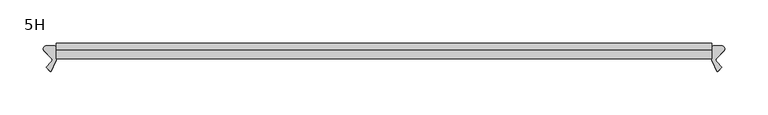
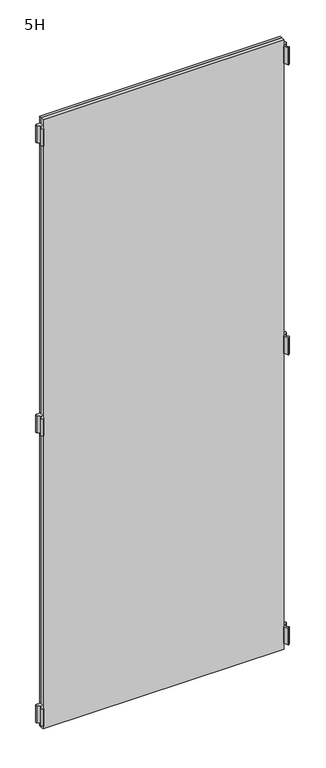
"""IFC4 building model written with IfcOpenShell, lengths in millimetres: furniture geometry, 5H."""

from ifc_helpers import new_model, si_unit, point, frame, frame_2d, origin, place, context, project, spatial, polyline, circle_curve, trimmed, segment, composite_curve, outline, extrude, source, transform, mapped, element, save


def furniture_5h_a6dc753b(model_context):
    return source(origin(), model_context, "Body", "SweptSolid", [
        extrude(outline(composite_curve([segment(polyline([(-383.736544, 2.1213203), (-391.9772844, 10.3620607)]), True, "CONTINUOUS"), segment(trimmed(circle_curve(frame_2d((-389.5024107, 12.8369345)), 3.5), [point((-391.9772844, 10.3620607))], [point((-389.5024107, 16.3369345))], False, "CARTESIAN"), True, "CONTINUOUS"), segment(polyline([(-389.5024107, 16.3369345), (-381.0, 16.3369345)]), True, "CONTINUOUS"), segment(trimmed(circle_curve(frame_2d((-381.0, 13.3369345)), 3.0), [point((-381.0, 16.3369345))], [point((-378.0, 13.3369345))], False, "CARTESIAN"), True, "CONTINUOUS"), segment(polyline([(-378.0, 13.3369345), (-378.0, 1.1084733)]), True, "CONTINUOUS"), segment(trimmed(circle_curve(frame_2d((-383.0, 1.1084733)), 5.0), [point((-378.0, 1.1084733))], [point((-378.4684611, -1.004618))], False, "CARTESIAN"), True, "CONTINUOUS"), segment(polyline([(-378.4684611, -1.004618), (-383.79287, -12.4228499)]), True, "CONTINUOUS"), segment(trimmed(circle_curve(frame_2d((-384.6991778, -12.0002316)), 1.0), [point((-383.79287, -12.4228499))], [point((-385.4062846, -12.7073384))], False, "CARTESIAN"), True, "CONTINUOUS"), segment(polyline([(-385.4062846, -12.7073384), (-389.8644234, -8.2491997), (-383.736544, -2.1213203)]), True, "CONTINUOUS"), segment(trimmed(circle_curve(frame_2d((-385.8578644, 0.0)), 3.0), [point((-383.736544, -2.1213203))], [point((-383.736544, 2.1213203))], True, "CARTESIAN"), True, "CONTINUOUS")], self_intersect=False)), frame((0.0, 0.0, 117.0), z_axis=(0.0, 0.0, 1.0), x_axis=(1.0, 0.0, 0.0)), (0.0, 0.0, 1.0), 56.0),
        extrude(outline(composite_curve([segment(trimmed(circle_curve(frame_2d((385.8578644, 0.0)), 3.0), [point((383.736544, 2.1213203))], [point((383.736544, -2.1213203))], True, "CARTESIAN"), True, "CONTINUOUS"), segment(polyline([(383.736544, -2.1213203), (389.8644234, -8.2491997), (385.4062846, -12.7073384)]), True, "CONTINUOUS"), segment(trimmed(circle_curve(frame_2d((384.6991778, -12.0002316)), 1.0), [point((385.4062846, -12.7073384))], [point((383.79287, -12.4228499))], False, "CARTESIAN"), True, "CONTINUOUS"), segment(polyline([(383.79287, -12.4228499), (378.4684611, -1.004618)]), True, "CONTINUOUS"), segment(trimmed(circle_curve(frame_2d((383.0, 1.1084733)), 5.0), [point((378.4684611, -1.004618))], [point((378.0, 1.1084733))], False, "CARTESIAN"), True, "CONTINUOUS"), segment(polyline([(378.0, 1.1084733), (378.0, 13.3369345)]), True, "CONTINUOUS"), segment(trimmed(circle_curve(frame_2d((381.0, 13.3369345)), 3.0), [point((378.0, 13.3369345))], [point((381.0, 16.3369345))], False, "CARTESIAN"), True, "CONTINUOUS"), segment(polyline([(381.0, 16.3369345), (389.5024107, 16.3369345)]), True, "CONTINUOUS"), segment(trimmed(circle_curve(frame_2d((389.5024107, 12.8369345)), 3.5), [point((389.5024107, 16.3369345))], [point((391.9772844, 10.3620607))], False, "CARTESIAN"), True, "CONTINUOUS"), segment(polyline([(391.9772844, 10.3620607), (383.736544, 2.1213203)]), True, "CONTINUOUS")], self_intersect=False)), frame((0.0, 0.0, 117.0), z_axis=(0.0, 0.0, 1.0), x_axis=(1.0, 0.0, 0.0)), (0.0, 0.0, 1.0), 56.0),
        extrude(outline(composite_curve([segment(polyline([(-383.736544, 2.1213203), (-391.9772844, 10.3620607)]), True, "CONTINUOUS"), segment(trimmed(circle_curve(frame_2d((-389.5024107, 12.8369345)), 3.5), [point((-391.9772844, 10.3620607))], [point((-389.5024107, 16.3369345))], False, "CARTESIAN"), True, "CONTINUOUS"), segment(polyline([(-389.5024107, 16.3369345), (-381.0, 16.3369345)]), True, "CONTINUOUS"), segment(trimmed(circle_curve(frame_2d((-381.0, 13.3369345)), 3.0), [point((-381.0, 16.3369345))], [point((-378.0, 13.3369345))], False, "CARTESIAN"), True, "CONTINUOUS"), segment(polyline([(-378.0, 13.3369345), (-378.0, 1.1084733)]), True, "CONTINUOUS"), segment(trimmed(circle_curve(frame_2d((-383.0, 1.1084733)), 5.0), [point((-378.0, 1.1084733))], [point((-378.4684611, -1.004618))], False, "CARTESIAN"), True, "CONTINUOUS"), segment(polyline([(-378.4684611, -1.004618), (-383.79287, -12.4228499)]), True, "CONTINUOUS"), segment(trimmed(circle_curve(frame_2d((-384.6991778, -12.0002316)), 1.0), [point((-383.79287, -12.4228499))], [point((-385.4062846, -12.7073384))], False, "CARTESIAN"), True, "CONTINUOUS"), segment(polyline([(-385.4062846, -12.7073384), (-389.8644234, -8.2491997), (-383.736544, -2.1213203)]), True, "CONTINUOUS"), segment(trimmed(circle_curve(frame_2d((-385.8578644, 0.0)), 3.0), [point((-383.736544, -2.1213203))], [point((-383.736544, 2.1213203))], True, "CARTESIAN"), True, "CONTINUOUS")], self_intersect=False)), frame((0.0, 0.0, 1079.0), z_axis=(0.0, 0.0, 1.0), x_axis=(1.0, 0.0, 0.0)), (0.0, 0.0, 1.0), 56.0),
        extrude(outline(composite_curve([segment(trimmed(circle_curve(frame_2d((385.8578644, 0.0)), 3.0), [point((383.736544, 2.1213203))], [point((383.736544, -2.1213203))], True, "CARTESIAN"), True, "CONTINUOUS"), segment(polyline([(383.736544, -2.1213203), (389.8644234, -8.2491997), (385.4062846, -12.7073384)]), True, "CONTINUOUS"), segment(trimmed(circle_curve(frame_2d((384.6991778, -12.0002316)), 1.0), [point((385.4062846, -12.7073384))], [point((383.79287, -12.4228499))], False, "CARTESIAN"), True, "CONTINUOUS"), segment(polyline([(383.79287, -12.4228499), (378.4684611, -1.004618)]), True, "CONTINUOUS"), segment(trimmed(circle_curve(frame_2d((383.0, 1.1084733)), 5.0), [point((378.4684611, -1.004618))], [point((378.0, 1.1084733))], False, "CARTESIAN"), True, "CONTINUOUS"), segment(polyline([(378.0, 1.1084733), (378.0, 13.3369345)]), True, "CONTINUOUS"), segment(trimmed(circle_curve(frame_2d((381.0, 13.3369345)), 3.0), [point((378.0, 13.3369345))], [point((381.0, 16.3369345))], False, "CARTESIAN"), True, "CONTINUOUS"), segment(polyline([(381.0, 16.3369345), (389.5024107, 16.3369345)]), True, "CONTINUOUS"), segment(trimmed(circle_curve(frame_2d((389.5024107, 12.8369345)), 3.5), [point((389.5024107, 16.3369345))], [point((391.9772844, 10.3620607))], False, "CARTESIAN"), True, "CONTINUOUS"), segment(polyline([(391.9772844, 10.3620607), (383.736544, 2.1213203)]), True, "CONTINUOUS")], self_intersect=False)), frame((0.0, 0.0, 1079.0), z_axis=(0.0, 0.0, 1.0), x_axis=(1.0, 0.0, 0.0)), (0.0, 0.0, 1.0), 56.0),
        extrude(outline(composite_curve([segment(polyline([(-383.736544, 2.1213203), (-391.9772844, 10.3620607)]), True, "CONTINUOUS"), segment(trimmed(circle_curve(frame_2d((-389.5024107, 12.8369345)), 3.5), [point((-391.9772844, 10.3620607))], [point((-389.5024107, 16.3369345))], False, "CARTESIAN"), True, "CONTINUOUS"), segment(polyline([(-389.5024107, 16.3369345), (-381.0, 16.3369345)]), True, "CONTINUOUS"), segment(trimmed(circle_curve(frame_2d((-381.0, 13.3369345)), 3.0), [point((-381.0, 16.3369345))], [point((-378.0, 13.3369345))], False, "CARTESIAN"), True, "CONTINUOUS"), segment(polyline([(-378.0, 13.3369345), (-378.0, 1.1084733)]), True, "CONTINUOUS"), segment(trimmed(circle_curve(frame_2d((-383.0, 1.1084733)), 5.0), [point((-378.0, 1.1084733))], [point((-378.4684611, -1.004618))], False, "CARTESIAN"), True, "CONTINUOUS"), segment(polyline([(-378.4684611, -1.004618), (-383.79287, -12.4228499)]), True, "CONTINUOUS"), segment(trimmed(circle_curve(frame_2d((-384.6991778, -12.0002316)), 1.0), [point((-383.79287, -12.4228499))], [point((-385.4062846, -12.7073384))], False, "CARTESIAN"), True, "CONTINUOUS"), segment(polyline([(-385.4062846, -12.7073384), (-389.8644234, -8.2491997), (-383.736544, -2.1213203)]), True, "CONTINUOUS"), segment(trimmed(circle_curve(frame_2d((-385.8578644, 0.0)), 3.0), [point((-383.736544, -2.1213203))], [point((-383.736544, 2.1213203))], True, "CARTESIAN"), True, "CONTINUOUS")], self_intersect=False)), frame((0.0, 0.0, 2040.1401745), z_axis=(0.0, 0.0, 1.0), x_axis=(1.0, 0.0, 0.0)), (0.0, 0.0, 1.0), 56.0),
        extrude(outline(composite_curve([segment(trimmed(circle_curve(frame_2d((385.8578644, 0.0)), 3.0), [point((383.736544, 2.1213203))], [point((383.736544, -2.1213203))], True, "CARTESIAN"), True, "CONTINUOUS"), segment(polyline([(383.736544, -2.1213203), (389.8644234, -8.2491997), (385.4062846, -12.7073384)]), True, "CONTINUOUS"), segment(trimmed(circle_curve(frame_2d((384.6991778, -12.0002316)), 1.0), [point((385.4062846, -12.7073384))], [point((383.79287, -12.4228499))], False, "CARTESIAN"), True, "CONTINUOUS"), segment(polyline([(383.79287, -12.4228499), (378.4684611, -1.004618)]), True, "CONTINUOUS"), segment(trimmed(circle_curve(frame_2d((383.0, 1.1084733)), 5.0), [point((378.4684611, -1.004618))], [point((378.0, 1.1084733))], False, "CARTESIAN"), True, "CONTINUOUS"), segment(polyline([(378.0, 1.1084733), (378.0, 13.3369345)]), True, "CONTINUOUS"), segment(trimmed(circle_curve(frame_2d((381.0, 13.3369345)), 3.0), [point((378.0, 13.3369345))], [point((381.0, 16.3369345))], False, "CARTESIAN"), True, "CONTINUOUS"), segment(polyline([(381.0, 16.3369345), (389.5024107, 16.3369345)]), True, "CONTINUOUS"), segment(trimmed(circle_curve(frame_2d((389.5024107, 12.8369345)), 3.5), [point((389.5024107, 16.3369345))], [point((391.9772844, 10.3620607))], False, "CARTESIAN"), True, "CONTINUOUS"), segment(polyline([(391.9772844, 10.3620607), (383.736544, 2.1213203)]), True, "CONTINUOUS")], self_intersect=False)), frame((0.0, 0.0, 2040.1401745), z_axis=(0.0, 0.0, 1.0), x_axis=(1.0, 0.0, 0.0)), (0.0, 0.0, 1.0), 56.0),
        extrude(outline(polyline([(378.0, 11.15), (378.0, 1.15), (-378.0, 1.15), (-378.0, 11.15), (378.0, 11.15)])), frame((0.0, 0.0, 97.0), z_axis=(0.0, 0.0, 1.0), x_axis=(1.0, 0.0, 0.0)), (0.0, 0.0, 1.0), 2020.0),
        extrude(outline(polyline([(378.0, 19.15), (378.0, 11.15), (-378.0, 11.15), (-378.0, 19.15), (378.0, 19.15)])), frame((0.0, 0.0, 97.0), z_axis=(0.0, 0.0, 1.0), x_axis=(1.0, 0.0, 0.0)), (0.0, 0.0, 1.0), 2020.0),
    ])


if __name__ == "__main__":
    model = new_model("IFC4")
    model_context = context("Model", 3, world=origin())
    ifc_project = project(units=[si_unit("LENGTHUNIT", "METRE", prefix="MILLI")], contexts=[model_context])
    site = spatial("IfcSite", under=ifc_project)
    building = spatial("IfcBuilding", under=site)
    placement = place(None, origin())
    furniture_5h_shape = furniture_5h_a6dc753b(model_context)
    element("IfcFurniture", 1, ObjectType="5H", at=placement, inside=building, context=model_context, shape_type="MappedRepresentation", body=[
        mapped(furniture_5h_shape, transform((0.0, 0.0, 0.0), x_axis=(1.0, 0.0, 0.0), y_axis=(0.0, 1.0, 0.0), z_axis=(0.0, 0.0, 1.0))),
    ])
    save(model, "model.ifc")
